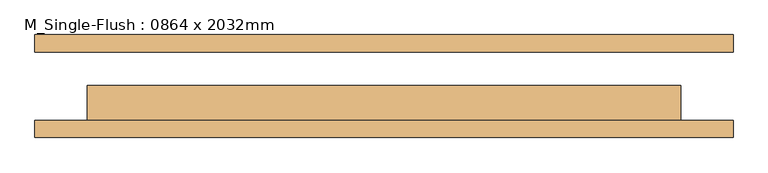
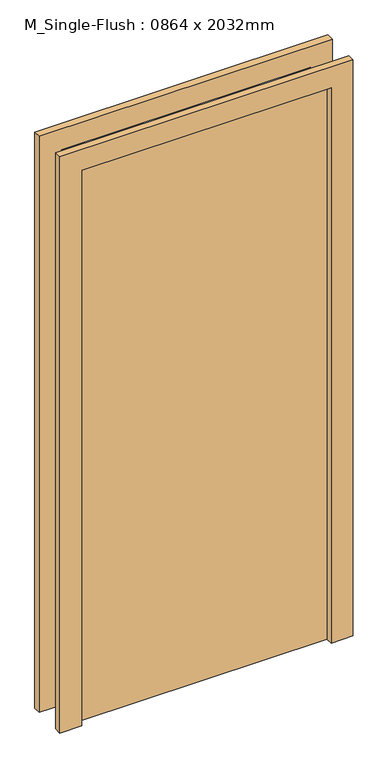
"""IFC4 building model written with IfcOpenShell, lengths in millimetres: door geometry, M_Single-Flush : 0864 x 2032mm."""

from ifc_helpers import new_model, si_unit, frame, origin, origin_with_axes, place, context, project, spatial, polyline, outline, extrude, source, transform, mapped, element, save


def m_single_flush_0864_x_2032mm_0d7903e5(model_context):
    return source(origin(), model_context, "Body", "SweptSolid", [
        extrude(outline(polyline([(2108.0, -508.0), (0.0, -508.0), (0.0, -432.0), (2032.0, -432.0), (2032.0, 432.0), (0.0, 432.0), (0.0, 508.0), (2108.0, 508.0), (2108.0, -508.0)])), frame((0.0, -75.0, 0.0), z_axis=(0.0, 1.0, 0.0), x_axis=(0.0, 0.0, 1.0)), (0.0, 0.0, 1.0), 25.0),
        extrude(outline(polyline([(2108.0, 508.0), (2108.0, -508.0), (0.0, -508.0), (0.0, -432.0), (2032.0, -432.0), (2032.0, 432.0), (0.0, 432.0), (0.0, 508.0), (2108.0, 508.0)])), frame((0.0, 50.0, 0.0), z_axis=(0.0, 1.0, 0.0), x_axis=(0.0, 0.0, 1.0)), (0.0, 0.0, 1.0), 25.0),
        extrude(outline(polyline([(432.0, 1.0), (432.0, -50.0), (-432.0, -50.0), (-432.0, 1.0), (432.0, 1.0)])), origin_with_axes(), (0.0, 0.0, 1.0), 2032.0),
    ])


if __name__ == "__main__":
    model = new_model("IFC4")
    model_context = context("Model", 3, world=origin())
    ifc_project = project(units=[si_unit("LENGTHUNIT", "METRE", prefix="MILLI")], contexts=[model_context])
    site = spatial("IfcSite", under=ifc_project)
    building = spatial("IfcBuilding", under=site)
    placement = place(None, origin())
    m_single_flush_0864_x_2032mm_shape = m_single_flush_0864_x_2032mm_0d7903e5(model_context)
    element("IfcDoor", 1, ObjectType="M_Single-Flush : 0864 x 2032mm", at=placement, inside=building, context=model_context, shape_type="MappedRepresentation", body=[
        mapped(m_single_flush_0864_x_2032mm_shape, transform((0.0, 0.0, 0.0), x_axis=(1.0, 0.0, 0.0), y_axis=(0.0, 1.0, 0.0), z_axis=(0.0, 0.0, 1.0))),
    ])
    save(model, "model.ifc")
